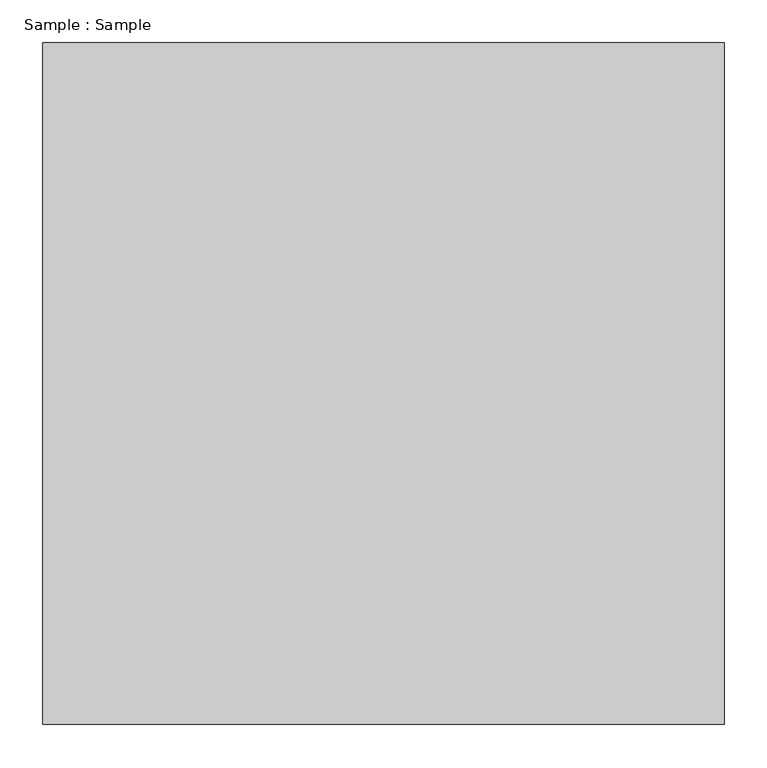
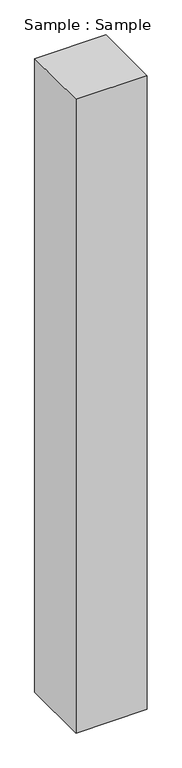
"""IFC4 building model written with IfcOpenShell, lengths in millimetres: proxy geometry, Sample : Sample."""

import ifcopenshell
import ifcopenshell.guid

model = None  # the IFC model being written
_history = None  # IfcOwnerHistory: only IFC2X3 demands one
_inside = {}  # id of a spatial element -> (the spatial element, [elements in it])
_under = {}  # id of a project, library or spatial element -> (it, [spatial elements below it])
_declared = {}  # id of a project -> (the project, [libraries it declares])
_typed = {}  # id of a type object -> (the type object, [elements of that type])
_made_of = {}  # id of a material, layer set ... -> (it, [elements and type objects made of it])


def new_model(schema):
    """Start an empty IFC model of exactly this schema.

    Asked for "IFC4X3", IfcOpenShell would pick the latest addendum, in which some entities
    have other attributes; the version numbers below select the first issue.
    IFC2X3 requires an IfcOwnerHistory on every rooted entity: one is made here for all.
    """
    global model, _history
    if schema == "IFC4X3":
        model = ifcopenshell.file(schema_version=(4, 3, 0, 0))
    else:
        model = ifcopenshell.file(schema=schema)
    _inside.clear()
    _under.clear()
    _declared.clear()
    _typed.clear()
    _made_of.clear()
    _history = None
    if model.schema == "IFC2X3":
        org = make("IfcOrganization", Name="unknown")
        user = make(
            "IfcPersonAndOrganization",
            ThePerson=make("IfcPerson", FamilyName="unknown"),
            TheOrganization=org,
        )
        app = make(
            "IfcApplication",
            ApplicationDeveloper=org,
            Version="unknown",
            ApplicationFullName="unknown",
            ApplicationIdentifier="unknown",
        )
        _history = make(
            "IfcOwnerHistory",
            OwningUser=user,
            OwningApplication=app,
            ChangeAction="ADDED",
            CreationDate=0,
        )
    return model


def make(cls, **values):
    """One entity of the class cls with the attributes given. An attribute that is None is left unset."""
    return model.create_entity(
        cls, **{name: value for name, value in values.items() if value is not None}
    )


def rooted(cls, **values):
    """An entity with a GlobalId (a new one), such as an element, a storey or a relation."""
    return make(cls, GlobalId=ifcopenshell.guid.new(), OwnerHistory=_history, **values)


def si_unit(unit_type, name, prefix=None):
    """IfcSIUnit, for example si_unit("LENGTHUNIT", "METRE", prefix="MILLI")."""
    return make("IfcSIUnit", UnitType=unit_type, Prefix=prefix, Name=name)


def assignment(units):
    """IfcUnitAssignment: the units of a project."""
    return None if units is None else make("IfcUnitAssignment", Units=units)


def point(xyz):
    """IfcCartesianPoint."""
    return None if xyz is None else make("IfcCartesianPoint", Coordinates=xyz)


def direction(xyz):
    """IfcDirection."""
    return None if xyz is None else make("IfcDirection", DirectionRatios=xyz)


def frame(location, z_axis=None, x_axis=None):
    """IfcAxis2Placement3D, a coordinate frame: its origin and axes. An axis left out is left unset."""
    return make(
        "IfcAxis2Placement3D",
        Location=point(location),
        Axis=direction(z_axis),
        RefDirection=direction(x_axis),
    )


def origin():
    """The frame at (0, 0, 0) with its axes left unset."""
    return frame((0.0, 0.0, 0.0))


def origin_with_axes():
    """The frame at (0, 0, 0) with the z axis (0, 0, 1) and the x axis (1, 0, 0) written out."""
    return frame((0.0, 0.0, 0.0), z_axis=(0.0, 0.0, 1.0), x_axis=(1.0, 0.0, 0.0))


def place(relative_to, where):
    """IfcLocalPlacement: puts the frame where relative to a parent placement (None: the world)."""
    return make(
        "IfcLocalPlacement", PlacementRelTo=relative_to, RelativePlacement=where
    )


def context(
    kind, dimensions, precision=None, world=None, true_north=None, identifier=None
):
    """IfcGeometricRepresentationContext, for example the 3D "Model" context."""
    return make(
        "IfcGeometricRepresentationContext",
        ContextIdentifier=identifier,
        ContextType=kind,
        CoordinateSpaceDimension=dimensions,
        Precision=precision,
        WorldCoordinateSystem=world,
        TrueNorth=true_north,
    )


def project(units=None, contexts=None):
    """IfcProject with its units and contexts."""
    return rooted(
        "IfcProject",
        Name="project",
        RepresentationContexts=contexts,
        UnitsInContext=assignment(units),
    )


def spatial(cls, under=None, at=None, **own):
    """A site, building, storey or space (cls), placed at a placement, below another one or the project."""
    s = rooted(cls, ObjectPlacement=at, **own)
    if under is not None:
        _under.setdefault(under.id(), (under, []))[1].append(s)
    return s


def polyline(points):
    """IfcPolyline through the points."""
    return make("IfcPolyline", Points=[point(p) for p in points])


def outline(outer, holes=None, kind="AREA"):
    """IfcArbitraryClosedProfileDef: a profile drawn as a closed curve; with holes, ...WithVoids."""
    if holes is None:
        return make("IfcArbitraryClosedProfileDef", ProfileType=kind, OuterCurve=outer)
    return make(
        "IfcArbitraryProfileDefWithVoids",
        ProfileType=kind,
        OuterCurve=outer,
        InnerCurves=holes,
    )


def extrude(swept, where, along, depth):
    """IfcExtrudedAreaSolid: the profile swept, set in the frame where, extruded along a direction by depth."""
    return make(
        "IfcExtrudedAreaSolid",
        SweptArea=swept,
        Position=where,
        ExtrudedDirection=direction(along),
        Depth=depth,
    )


def shape(context_of_items, identifier, shape_type, items):
    """IfcShapeRepresentation: the items that make up one representation, for example the "Body"."""
    return make(
        "IfcShapeRepresentation",
        ContextOfItems=context_of_items,
        RepresentationIdentifier=identifier,
        RepresentationType=shape_type,
        Items=items,
    )


def source(mapping_origin, context_of_items, identifier, shape_type, items):
    """IfcRepresentationMap: a shape defined once, which mapped items show again and again."""
    return make(
        "IfcRepresentationMap",
        MappingOrigin=mapping_origin,
        MappedRepresentation=shape(context_of_items, identifier, shape_type, items),
    )


def transform(
    local_origin,
    x_axis=None,
    y_axis=None,
    z_axis=None,
    scale=None,
    scale2=None,
    scale3=None,
    uniform=True,
):
    """IfcCartesianTransformationOperator3D, or its non-uniform kind. x_axis, y_axis, z_axis: its Axis1, 2, 3."""
    if uniform:
        return make(
            "IfcCartesianTransformationOperator3D",
            Axis1=direction(x_axis),
            Axis2=direction(y_axis),
            LocalOrigin=point(local_origin),
            Scale=scale,
            Axis3=direction(z_axis),
        )
    return make(
        "IfcCartesianTransformationOperator3DnonUniform",
        Axis1=direction(x_axis),
        Axis2=direction(y_axis),
        LocalOrigin=point(local_origin),
        Scale=scale,
        Axis3=direction(z_axis),
        Scale2=scale2,
        Scale3=scale3,
    )


def mapped(mapping_source, mapping_target):
    """IfcMappedItem: shows the shape of a source again, moved by a transform."""
    return make(
        "IfcMappedItem", MappingSource=mapping_source, MappingTarget=mapping_target
    )


def made_of(thing, what):
    """Note that an element or type object is made of a material, layer set ...; save() writes the relation."""
    if what is not None:
        _made_of.setdefault(what.id(), (what, []))[1].append(thing)
    return thing


def element(
    cls,
    number,
    at=None,
    inside=None,
    cuts=None,
    type_object=None,
    material=None,
    context=None,
    identifier="Body",
    shape_type=None,
    held_by="IfcProductDefinitionShape",
    body=None,
    shapes=None,
    **own,
):
    """One element of the class cls, such as IfcWall. Its Tag is "e" and its number.

    at: its placement. inside: the storey or other place that contains it. cuts: it is an
    opening in that element (IfcRelVoidsElement). A single representation is given by context,
    identifier, shape_type and body (its items); several are given by shapes. held_by: the class
    of the entity that holds the representations. save() writes the other relations.
    """
    e = rooted(cls, Tag="e%d" % number, ObjectPlacement=at, **own)
    if body is not None:
        shapes = [shape(context, identifier, shape_type, body)]
    if shapes is not None:
        e.Representation = make(held_by, Representations=shapes)
    if inside is not None:
        _inside.setdefault(inside.id(), (inside, []))[1].append(e)
    if cuts is not None:
        rooted(
            "IfcRelVoidsElement", RelatingBuildingElement=cuts, RelatedOpeningElement=e
        )
    if type_object is not None:
        _typed.setdefault(type_object.id(), (type_object, []))[1].append(e)
    return made_of(e, material)


def aggregate(whole, parts):
    """IfcRelAggregates: a whole, such as a stair, and the parts it consists of."""
    return rooted("IfcRelAggregates", RelatingObject=whole, RelatedObjects=parts)


def save(model, path):
    """Write the relations noted so far, then the file.

    IfcRelAggregates (storeys below a building ...), IfcRelContainedInSpatialStructure (elements
    in a storey), IfcRelDefinesByType, IfcRelAssociatesMaterial and IfcRelDeclares: one each for
    every whole, place, type object, material and project.
    """
    for whole, parts in _under.values():
        aggregate(whole, parts)
    for where, things in _inside.values():
        rooted(
            "IfcRelContainedInSpatialStructure",
            RelatedElements=things,
            RelatingStructure=where,
        )
    for kind, things in _typed.values():
        rooted("IfcRelDefinesByType", RelatedObjects=things, RelatingType=kind)
    for what, things in _made_of.values():
        rooted("IfcRelAssociatesMaterial", RelatedObjects=things, RelatingMaterial=what)
    for by, libraries in _declared.values():
        rooted("IfcRelDeclares", RelatingContext=by, RelatedDefinitions=libraries)
    model.write(path)


def sample_sample_f373b813(model_context):
    return source(origin(), model_context, "Body", "SweptSolid", [
        extrude(outline(polyline([(400.0, 400.0), (400.0, -400.0), (-400.0, -400.0), (-400.0, 400.0), (400.0, 400.0)])), origin_with_axes(), (0.0, 0.0, 1.0), 7517.2413793),
    ])


if __name__ == "__main__":
    model = new_model("IFC4")
    model_context = context("Model", 3, world=origin())
    ifc_project = project(units=[si_unit("LENGTHUNIT", "METRE", prefix="MILLI")], contexts=[model_context])
    site = spatial("IfcSite", under=ifc_project)
    building = spatial("IfcBuilding", under=site)
    placement = place(None, origin())
    sample_sample_shape = sample_sample_f373b813(model_context)
    element("IfcBuildingElementProxy", 1, Name="Sample : Sample", ObjectType="Sample : Sample", at=placement, inside=building, context=model_context, shape_type="MappedRepresentation", body=[
        mapped(sample_sample_shape, transform((0.0, 0.0, 0.0), x_axis=(1.0, 0.0, 0.0), y_axis=(0.0, 1.0, 0.0), z_axis=(0.0, 0.0, 1.0))),
    ])
    save(model, "model.ifc")
